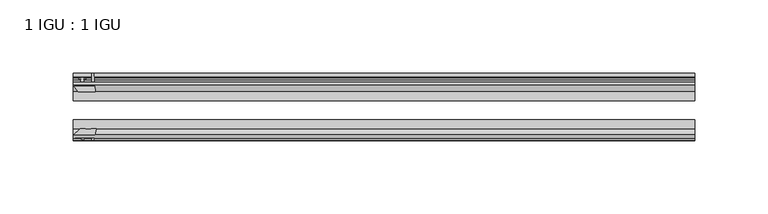
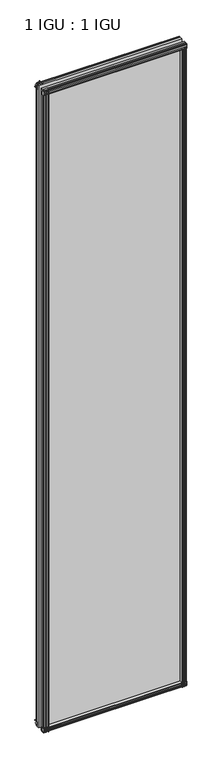
"""IFC4 building model written with IfcOpenShell, lengths in millimetres: plate geometry, 1 IGU : 1 IGU."""

from ifc_helpers import new_model, si_unit, point, frame, frame_2d, origin, place, context, project, spatial, polyline, circle_curve, trimmed, segment, composite_curve, outline, extrude, source, transform, mapped, element, save


def plate_1_igu_1_igu_8b02ffeb(model_context):
    return source(origin(), model_context, "Body", "SweptSolid", [
        extrude(outline(polyline([(-24.9039062, 2.5763839), (-12.2039062, 1.5739665), (-12.2039062, 0.0), (-18.5539062, 0.0), (-18.5539062, -4.953), (-16.254502, -5.5691235), (-16.6301757, -4.1670901), (-15.7714677, -3.937), (-15.1249062, -6.35), (-15.7714677, -8.763), (-16.6301757, -8.5329099), (-16.254502, -7.1308765), (-18.5539062, -7.747), (-18.5539062, -12.7), (-20.5859062, -12.7), (-24.9039062, -9.1036931), (-24.9039062, 2.5763839)])), frame((-211.9151597, 0.0, 0.0), z_axis=(1.0, 0.0, 0.0), x_axis=(0.0, 1.0, 0.0)), (0.0, 0.0, 1.0), 425.5170381),
        extrude(outline(composite_curve([segment(polyline([(-58.2287402, 1.5687054), (-50.3039062, 3.0983599), (-50.3039062, -7.92383), (-54.4858806, -12.1058044)]), True, "CONTINUOUS"), segment(trimmed(circle_curve(frame_2d((-55.3839062, -11.2077788)), 1.27), [point((-54.4858806, -12.1058044))], [point((-56.6539062, -11.2077788))], False, "CARTESIAN"), True, "CONTINUOUS"), segment(polyline([(-56.6539062, -11.2077788), (-56.6539062, -8.0327788), (-58.1332022, -5.4488186), (-56.6539062, -5.1879788), (-56.6539062, 0.2222212), (-58.2287402, 0.0), (-58.2287402, 1.5687054)]), True, "CONTINUOUS")], self_intersect=False)), frame((-211.9151597, 0.0, 0.0), z_axis=(1.0, 0.0, 0.0), x_axis=(0.0, 1.0, 0.0)), (0.0, 0.0, 1.0), 425.5170381),
        extrude(outline(polyline([(-18.5539063, 2001.656525), (-16.254502, 2001.0404015), (-16.6301757, 2002.4424349), (-15.7714677, 2002.672525), (-15.1249063, 2000.259525), (-15.7714677, 1997.846525), (-16.6301757, 1998.0766151), (-16.254502, 1999.4786485), (-18.5539063, 1998.862525), (-18.5539063, 1993.909525), (-12.2039062, 1993.909525), (-12.2039062, 1992.3355584), (-24.9039063, 1991.3331411), (-24.9039063, 2003.0132181), (-20.5859063, 2006.609525), (-18.5539063, 2006.609525), (-18.5539063, 2001.656525)])), frame((-211.9151597, 0.0, 0.0), z_axis=(1.0, 0.0, 0.0), x_axis=(0.0, 1.0, 0.0)), (0.0, 0.0, 1.0), 425.5170381),
        extrude(outline(composite_curve([segment(polyline([(-50.3039063, 2001.833355), (-50.3039063, 1990.8111651), (-58.2287402, 1992.3408196), (-58.2287402, 1993.909525), (-56.6539063, 1993.6873038), (-56.6539063, 1999.0975038), (-58.1332023, 1999.3583436), (-56.6539063, 2001.9423038), (-56.6539063, 2005.1173038)]), True, "CONTINUOUS"), segment(trimmed(circle_curve(frame_2d((-55.3839063, 2005.1173038)), 1.27), [point((-56.6539063, 2005.1173038))], [point((-54.4858806, 2006.0153294))], False, "CARTESIAN"), True, "CONTINUOUS"), segment(polyline([(-54.4858806, 2006.0153294), (-50.3039063, 2001.833355)]), True, "CONTINUOUS")], self_intersect=False)), frame((-211.9151597, 0.0, 0.0), z_axis=(1.0, 0.0, 0.0), x_axis=(0.0, 1.0, 0.0)), (0.0, 0.0, 1.0), 425.5170381),
        extrude(outline(composite_curve([segment(polyline([(199.1708344, -57.3876965), (197.8035185, -50.3039063), (208.8257085, -50.3039063), (213.0076828, -54.4858806)]), True, "CONTINUOUS"), segment(trimmed(circle_curve(frame_2d((212.1096572, -55.3839062)), 1.27), [point((213.0076828, -54.4858806))], [point((212.1096572, -56.6539062))], False, "CARTESIAN"), True, "CONTINUOUS"), segment(polyline([(212.1096572, -56.6539062), (208.9346572, -56.6539063), (206.350697, -58.1332022), (206.0898572, -56.6539063), (200.6796572, -56.6539063), (200.9018784, -58.2287402), (199.9375577, -58.2014026)]), True, "CONTINUOUS"), segment(trimmed(circle_curve(frame_2d((200.1716572, -57.2127402)), 1.016), [point((199.9375577, -58.2014026))], [point((199.1708344, -57.3876965))], False, "CARTESIAN"), True, "CONTINUOUS")], self_intersect=False)), frame((0.0, 0.0, -12.7), z_axis=(0.0, 0.0, 1.0), x_axis=(1.0, 0.0, 0.0)), (0.0, 0.0, 1.0), 2007.0064),
        extrude(outline(polyline([(205.8548784, -18.5539062), (206.471002, -16.254502), (205.0689686, -16.6301757), (204.8388784, -15.7714677), (207.2518784, -15.1249062), (209.6648784, -15.7714677), (209.4347883, -16.6301757), (208.0327549, -16.254502), (208.6488784, -18.5539062), (213.6018784, -18.5539062), (213.6018784, -20.5859062), (210.0055715, -24.9039063), (198.3254945, -24.9039063), (199.3279119, -12.2039062), (200.9018784, -12.2039062), (200.9018784, -18.5539062), (205.8548784, -18.5539062)])), frame((0.0, 0.0, -12.7), z_axis=(0.0, 0.0, 1.0), x_axis=(1.0, 0.0, 0.0)), (0.0, 0.0, 1.0), 2007.0064),
        extrude(outline(composite_curve([segment(polyline([(-207.2479385, -56.6539062), (-210.4229385, -56.6539062)]), True, "CONTINUOUS"), segment(trimmed(circle_curve(frame_2d((-210.4229385, -55.3839062)), 1.27), [point((-210.4229385, -56.6539062))], [point((-211.3209641, -54.4858806))], False, "CARTESIAN"), True, "CONTINUOUS"), segment(polyline([(-211.3209641, -54.4858806), (-207.1389897, -50.3039062), (-203.4694442, -50.3039062)]), True, "CONTINUOUS"), segment(trimmed(circle_curve(frame_2d((-201.4059385, -46.3669062)), 4.445), [point((-203.4694442, -50.3039062))], [point((-199.3424327, -50.3039062))], True, "CARTESIAN"), True, "CONTINUOUS"), segment(polyline([(-199.3424327, -50.3039062), (-196.1167998, -50.3039062), (-197.6464543, -58.2287402), (-199.2151597, -58.2287402), (-198.9929385, -56.6539062), (-204.4031385, -56.6539062), (-204.6639783, -58.1332022), (-207.2479385, -56.6539062)]), True, "CONTINUOUS")], self_intersect=False)), frame((0.0, 0.0, -12.7), z_axis=(0.0, 0.0, 1.0), x_axis=(1.0, 0.0, 0.0)), (0.0, 0.0, 1.0), 2019.309525),
        extrude(outline(polyline([(-196.6387758, -24.9039062), (-208.3188528, -24.9039062), (-211.9151597, -20.5859062), (-211.9151597, -18.5539062), (-206.9621597, -18.5539062), (-206.3460362, -16.254502), (-207.7480696, -16.6301757), (-207.9781597, -15.7714677), (-205.5651597, -15.1249062), (-203.1521597, -15.7714677), (-203.3822498, -16.6301757), (-204.7842832, -16.254502), (-204.1681597, -18.5539062), (-199.2151597, -18.5539062), (-199.2151597, -12.2039062), (-197.6411931, -12.2039062), (-196.6387758, -24.9039062)])), frame((0.0, 0.0, -12.7), z_axis=(0.0, 0.0, 1.0), x_axis=(1.0, 0.0, 0.0)), (0.0, 0.0, 1.0), 2019.309525),
        extrude(outline(polyline([(213.6018784, -24.9039062), (213.6018784, -31.2031063), (-211.9151597, -31.2031063), (-211.9151597, -24.9039062), (213.6018784, -24.9039062)])), frame((0.0, 0.0, -12.7), z_axis=(0.0, 0.0, 1.0), x_axis=(1.0, 0.0, 0.0)), (0.0, 0.0, 1.0), 2019.309525),
        extrude(outline(polyline([(-211.9151597, -44.0047063), (213.6018784, -44.0047063), (213.6018784, -50.3039062), (-211.9151597, -50.3039062), (-211.9151597, -44.0047063)])), frame((0.0, 0.0, -12.7), z_axis=(0.0, 0.0, 1.0), x_axis=(1.0, 0.0, 0.0)), (0.0, 0.0, 1.0), 2019.309525),
    ])


if __name__ == "__main__":
    model = new_model("IFC4")
    model_context = context("Model", 3, world=origin())
    ifc_project = project(units=[si_unit("LENGTHUNIT", "METRE", prefix="MILLI")], contexts=[model_context])
    site = spatial("IfcSite", under=ifc_project)
    building = spatial("IfcBuilding", under=site)
    placement = place(None, origin())
    plate_1_igu_1_igu_shape = plate_1_igu_1_igu_8b02ffeb(model_context)
    element("IfcPlate", 1, ObjectType="1 IGU : 1 IGU", at=placement, inside=building, context=model_context, shape_type="MappedRepresentation", body=[
        mapped(plate_1_igu_1_igu_shape, transform((0.0, 0.0, 0.0), x_axis=(1.0, 0.0, 0.0), y_axis=(0.0, 1.0, 0.0), z_axis=(0.0, 0.0, 1.0))),
    ])
    save(model, "model.ifc")
